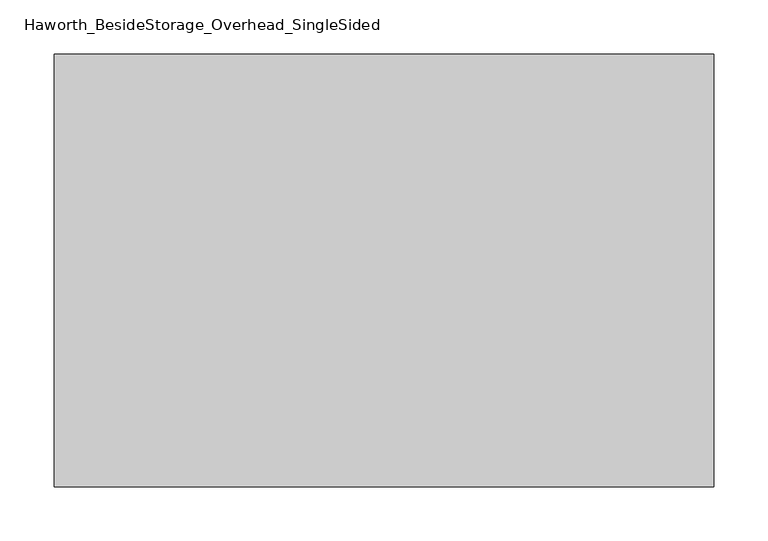
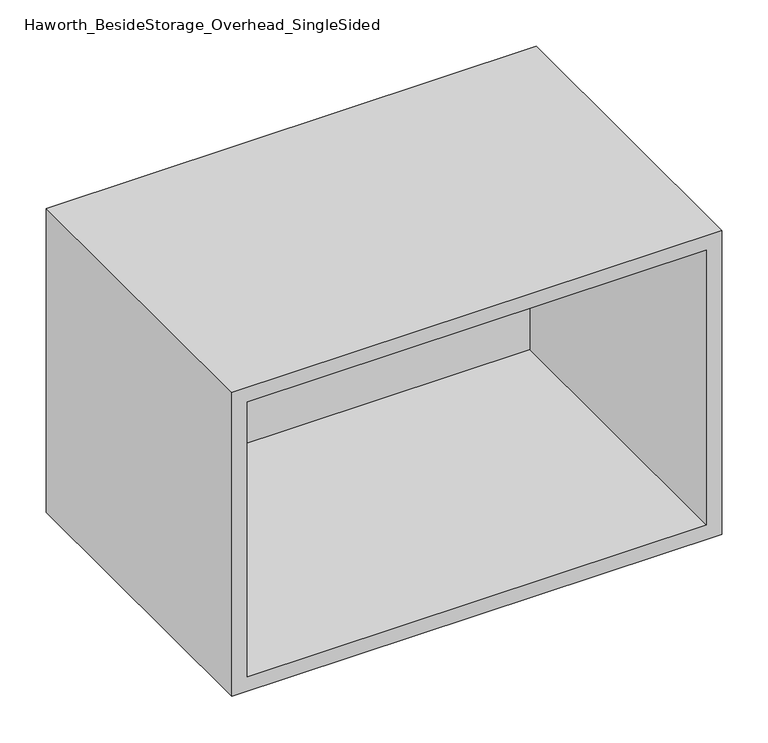
"""IFC4 building model written with IfcOpenShell, lengths in millimetres: furniture geometry, Haworth_BesideStorage_Overhead_SingleSided."""

from ifc_helpers import new_model, si_unit, frame, origin, place, context, project, spatial, polyline, outline, extrude, source, transform, mapped, element, save


def haworth_besidestorage_overhead_singlesided_24131a0b(model_context):
    return source(origin(), model_context, "Body", "SweptSolid", [
        extrude(outline(polyline([(450.85, -19.05), (-120.65, -19.05), (-120.65, 0.0), (450.85, 0.0), (450.85, -19.05)])), frame((0.0, 0.0, 781.05), z_axis=(0.0, 0.0, 1.0), x_axis=(1.0, 0.0, 0.0)), (0.0, 0.0, 1.0), 361.95),
        extrude(outline(polyline([(762.0, 469.9), (1162.05, 469.9), (1162.05, -139.7), (762.0, -139.7), (762.0, 469.9)]), holes=[polyline([(1143.0, 450.85), (781.05, 450.85), (781.05, -120.65), (1143.0, -120.65), (1143.0, 450.85)])]), frame((0.0, -400.05, 0.0), z_axis=(0.0, 1.0, 0.0), x_axis=(0.0, 0.0, 1.0)), (0.0, 0.0, 1.0), 400.05),
    ])


if __name__ == "__main__":
    model = new_model("IFC4")
    model_context = context("Model", 3, world=origin())
    ifc_project = project(units=[si_unit("LENGTHUNIT", "METRE", prefix="MILLI")], contexts=[model_context])
    site = spatial("IfcSite", under=ifc_project)
    building = spatial("IfcBuilding", under=site)
    placement = place(None, origin())
    haworth_besidestorage_overhead_singlesided_shape = haworth_besidestorage_overhead_singlesided_24131a0b(model_context)
    element("IfcFurniture", 1, ObjectType="Haworth_BesideStorage_Overhead_SingleSided", at=placement, inside=building, context=model_context, shape_type="MappedRepresentation", body=[
        mapped(haworth_besidestorage_overhead_singlesided_shape, transform((0.0, 0.0, 0.0), x_axis=(1.0, 0.0, 0.0), y_axis=(0.0, 1.0, 0.0), z_axis=(0.0, 0.0, 1.0))),
    ])
    save(model, "model.ifc")
